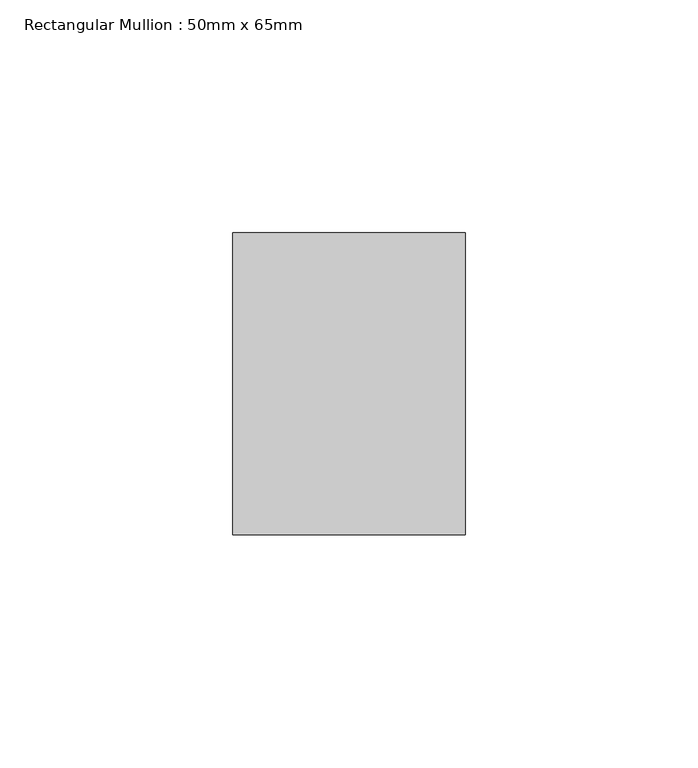
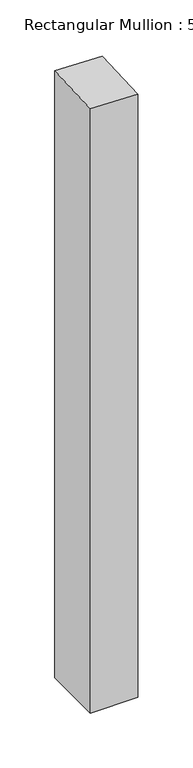
"""IFC4 building model written with IfcOpenShell, lengths in millimetres: member geometry, Rectangular Mullion : 50mm x 65mm."""

import ifcopenshell
import ifcopenshell.guid

model = None  # the IFC model being written
_history = None  # IfcOwnerHistory: only IFC2X3 demands one
_inside = {}  # id of a spatial element -> (the spatial element, [elements in it])
_under = {}  # id of a project, library or spatial element -> (it, [spatial elements below it])
_declared = {}  # id of a project -> (the project, [libraries it declares])
_typed = {}  # id of a type object -> (the type object, [elements of that type])
_made_of = {}  # id of a material, layer set ... -> (it, [elements and type objects made of it])


def new_model(schema):
    """Start an empty IFC model of exactly this schema.

    Asked for "IFC4X3", IfcOpenShell would pick the latest addendum, in which some entities
    have other attributes; the version numbers below select the first issue.
    IFC2X3 requires an IfcOwnerHistory on every rooted entity: one is made here for all.
    """
    global model, _history
    if schema == "IFC4X3":
        model = ifcopenshell.file(schema_version=(4, 3, 0, 0))
    else:
        model = ifcopenshell.file(schema=schema)
    _inside.clear()
    _under.clear()
    _declared.clear()
    _typed.clear()
    _made_of.clear()
    _history = None
    if model.schema == "IFC2X3":
        org = make("IfcOrganization", Name="unknown")
        user = make(
            "IfcPersonAndOrganization",
            ThePerson=make("IfcPerson", FamilyName="unknown"),
            TheOrganization=org,
        )
        app = make(
            "IfcApplication",
            ApplicationDeveloper=org,
            Version="unknown",
            ApplicationFullName="unknown",
            ApplicationIdentifier="unknown",
        )
        _history = make(
            "IfcOwnerHistory",
            OwningUser=user,
            OwningApplication=app,
            ChangeAction="ADDED",
            CreationDate=0,
        )
    return model


def make(cls, **values):
    """One entity of the class cls with the attributes given. An attribute that is None is left unset."""
    return model.create_entity(
        cls, **{name: value for name, value in values.items() if value is not None}
    )


def rooted(cls, **values):
    """An entity with a GlobalId (a new one), such as an element, a storey or a relation."""
    return make(cls, GlobalId=ifcopenshell.guid.new(), OwnerHistory=_history, **values)


def si_unit(unit_type, name, prefix=None):
    """IfcSIUnit, for example si_unit("LENGTHUNIT", "METRE", prefix="MILLI")."""
    return make("IfcSIUnit", UnitType=unit_type, Prefix=prefix, Name=name)


def assignment(units):
    """IfcUnitAssignment: the units of a project."""
    return None if units is None else make("IfcUnitAssignment", Units=units)


def point(xyz):
    """IfcCartesianPoint."""
    return None if xyz is None else make("IfcCartesianPoint", Coordinates=xyz)


def direction(xyz):
    """IfcDirection."""
    return None if xyz is None else make("IfcDirection", DirectionRatios=xyz)


def frame(location, z_axis=None, x_axis=None):
    """IfcAxis2Placement3D, a coordinate frame: its origin and axes. An axis left out is left unset."""
    return make(
        "IfcAxis2Placement3D",
        Location=point(location),
        Axis=direction(z_axis),
        RefDirection=direction(x_axis),
    )


def origin():
    """The frame at (0, 0, 0) with its axes left unset."""
    return frame((0.0, 0.0, 0.0))


def place(relative_to, where):
    """IfcLocalPlacement: puts the frame where relative to a parent placement (None: the world)."""
    return make(
        "IfcLocalPlacement", PlacementRelTo=relative_to, RelativePlacement=where
    )


def context(
    kind, dimensions, precision=None, world=None, true_north=None, identifier=None
):
    """IfcGeometricRepresentationContext, for example the 3D "Model" context."""
    return make(
        "IfcGeometricRepresentationContext",
        ContextIdentifier=identifier,
        ContextType=kind,
        CoordinateSpaceDimension=dimensions,
        Precision=precision,
        WorldCoordinateSystem=world,
        TrueNorth=true_north,
    )


def project(units=None, contexts=None):
    """IfcProject with its units and contexts."""
    return rooted(
        "IfcProject",
        Name="project",
        RepresentationContexts=contexts,
        UnitsInContext=assignment(units),
    )


def spatial(cls, under=None, at=None, **own):
    """A site, building, storey or space (cls), placed at a placement, below another one or the project."""
    s = rooted(cls, ObjectPlacement=at, **own)
    if under is not None:
        _under.setdefault(under.id(), (under, []))[1].append(s)
    return s


def faces_of(points, faces, orient=None, outer=None):
    """IfcFace entities. A face is a list of loops; a loop is a list of indices into points, from 0.

    orient and outer hold one flag for each loop. By default every Orientation is true, the
    first loop of a face is its IfcFaceOuterBound and the others are IfcFaceBound.
    """
    made = []
    for i, loops in enumerate(faces):
        bounds = []
        for j, loop in enumerate(loops):
            is_outer = j == 0 if outer is None else outer[i][j]
            bounds.append(
                make(
                    "IfcFaceOuterBound" if is_outer else "IfcFaceBound",
                    Bound=make("IfcPolyLoop", Polygon=[points[k] for k in loop]),
                    Orientation=True if orient is None else orient[i][j],
                )
            )
        made.append(make("IfcFace", Bounds=bounds))
    return made


def faceted_brep(points, faces, orient=None, outer=None, voids=None):
    """IfcFacetedBrep: a solid bounded by flat faces; with voids (closed shells), ...WithVoids."""
    shared = [point(p) for p in points]
    hull = make("IfcClosedShell", CfsFaces=faces_of(shared, faces, orient, outer))
    if voids is None:
        return make("IfcFacetedBrep", Outer=hull)
    return make(
        "IfcFacetedBrepWithVoids",
        Outer=hull,
        Voids=[
            make(cls, CfsFaces=faces_of(shared, fs, o, b)) for cls, fs, o, b in voids
        ],
    )


def shape(context_of_items, identifier, shape_type, items):
    """IfcShapeRepresentation: the items that make up one representation, for example the "Body"."""
    return make(
        "IfcShapeRepresentation",
        ContextOfItems=context_of_items,
        RepresentationIdentifier=identifier,
        RepresentationType=shape_type,
        Items=items,
    )


def source(mapping_origin, context_of_items, identifier, shape_type, items):
    """IfcRepresentationMap: a shape defined once, which mapped items show again and again."""
    return make(
        "IfcRepresentationMap",
        MappingOrigin=mapping_origin,
        MappedRepresentation=shape(context_of_items, identifier, shape_type, items),
    )


def transform(
    local_origin,
    x_axis=None,
    y_axis=None,
    z_axis=None,
    scale=None,
    scale2=None,
    scale3=None,
    uniform=True,
):
    """IfcCartesianTransformationOperator3D, or its non-uniform kind. x_axis, y_axis, z_axis: its Axis1, 2, 3."""
    if uniform:
        return make(
            "IfcCartesianTransformationOperator3D",
            Axis1=direction(x_axis),
            Axis2=direction(y_axis),
            LocalOrigin=point(local_origin),
            Scale=scale,
            Axis3=direction(z_axis),
        )
    return make(
        "IfcCartesianTransformationOperator3DnonUniform",
        Axis1=direction(x_axis),
        Axis2=direction(y_axis),
        LocalOrigin=point(local_origin),
        Scale=scale,
        Axis3=direction(z_axis),
        Scale2=scale2,
        Scale3=scale3,
    )


def mapped(mapping_source, mapping_target):
    """IfcMappedItem: shows the shape of a source again, moved by a transform."""
    return make(
        "IfcMappedItem", MappingSource=mapping_source, MappingTarget=mapping_target
    )


def made_of(thing, what):
    """Note that an element or type object is made of a material, layer set ...; save() writes the relation."""
    if what is not None:
        _made_of.setdefault(what.id(), (what, []))[1].append(thing)
    return thing


def element(
    cls,
    number,
    at=None,
    inside=None,
    cuts=None,
    type_object=None,
    material=None,
    context=None,
    identifier="Body",
    shape_type=None,
    held_by="IfcProductDefinitionShape",
    body=None,
    shapes=None,
    **own,
):
    """One element of the class cls, such as IfcWall. Its Tag is "e" and its number.

    at: its placement. inside: the storey or other place that contains it. cuts: it is an
    opening in that element (IfcRelVoidsElement). A single representation is given by context,
    identifier, shape_type and body (its items); several are given by shapes. held_by: the class
    of the entity that holds the representations. save() writes the other relations.
    """
    e = rooted(cls, Tag="e%d" % number, ObjectPlacement=at, **own)
    if body is not None:
        shapes = [shape(context, identifier, shape_type, body)]
    if shapes is not None:
        e.Representation = make(held_by, Representations=shapes)
    if inside is not None:
        _inside.setdefault(inside.id(), (inside, []))[1].append(e)
    if cuts is not None:
        rooted(
            "IfcRelVoidsElement", RelatingBuildingElement=cuts, RelatedOpeningElement=e
        )
    if type_object is not None:
        _typed.setdefault(type_object.id(), (type_object, []))[1].append(e)
    return made_of(e, material)


def aggregate(whole, parts):
    """IfcRelAggregates: a whole, such as a stair, and the parts it consists of."""
    return rooted("IfcRelAggregates", RelatingObject=whole, RelatedObjects=parts)


def save(model, path):
    """Write the relations noted so far, then the file.

    IfcRelAggregates (storeys below a building ...), IfcRelContainedInSpatialStructure (elements
    in a storey), IfcRelDefinesByType, IfcRelAssociatesMaterial and IfcRelDeclares: one each for
    every whole, place, type object, material and project.
    """
    for whole, parts in _under.values():
        aggregate(whole, parts)
    for where, things in _inside.values():
        rooted(
            "IfcRelContainedInSpatialStructure",
            RelatedElements=things,
            RelatingStructure=where,
        )
    for kind, things in _typed.values():
        rooted("IfcRelDefinesByType", RelatedObjects=things, RelatingType=kind)
    for what, things in _made_of.values():
        rooted("IfcRelAssociatesMaterial", RelatedObjects=things, RelatingMaterial=what)
    for by, libraries in _declared.values():
        rooted("IfcRelDeclares", RelatingContext=by, RelatedDefinitions=libraries)
    model.write(path)


def rectangular_mullion_50mm_x_65mm_496bf768(model_context):
    return source(origin(), model_context, "Body", "Brep", [
        faceted_brep([(25.0, 32.5, -673.8343132), (25.0, -32.5, -673.8343132), (-25.0, -32.5, -673.8343132), (-25.0, 32.5, -673.8343132), (-25.0, 32.5, 2.2350858), (25.0, 32.5, 0.8173548), (-25.0, -32.5, -0.8173548), (25.0, -32.5, -2.2350858)], [[[0, 1, 2, 3]], [[4, 5, 0, 3]], [[6, 4, 3, 2]], [[7, 6, 2, 1]], [[5, 7, 1, 0]], [[5, 4, 6, 7]]]),
    ])


if __name__ == "__main__":
    model = new_model("IFC4")
    model_context = context("Model", 3, world=origin())
    ifc_project = project(units=[si_unit("LENGTHUNIT", "METRE", prefix="MILLI")], contexts=[model_context])
    site = spatial("IfcSite", under=ifc_project)
    building = spatial("IfcBuilding", under=site)
    placement = place(None, origin())
    rectangular_mullion_50mm_x_65mm_shape = rectangular_mullion_50mm_x_65mm_496bf768(model_context)
    element("IfcMember", 1, ObjectType="Rectangular Mullion : 50mm x 65mm", at=placement, inside=building, context=model_context, shape_type="MappedRepresentation", body=[
        mapped(rectangular_mullion_50mm_x_65mm_shape, transform((0.0, 0.0, 0.0), x_axis=(1.0, 0.0, 0.0), y_axis=(0.0, 1.0, 0.0), z_axis=(0.0, 0.0, 1.0))),
    ])
    save(model, "model.ifc")
